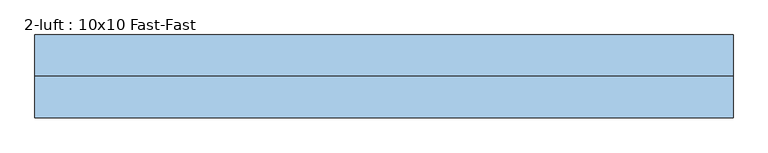
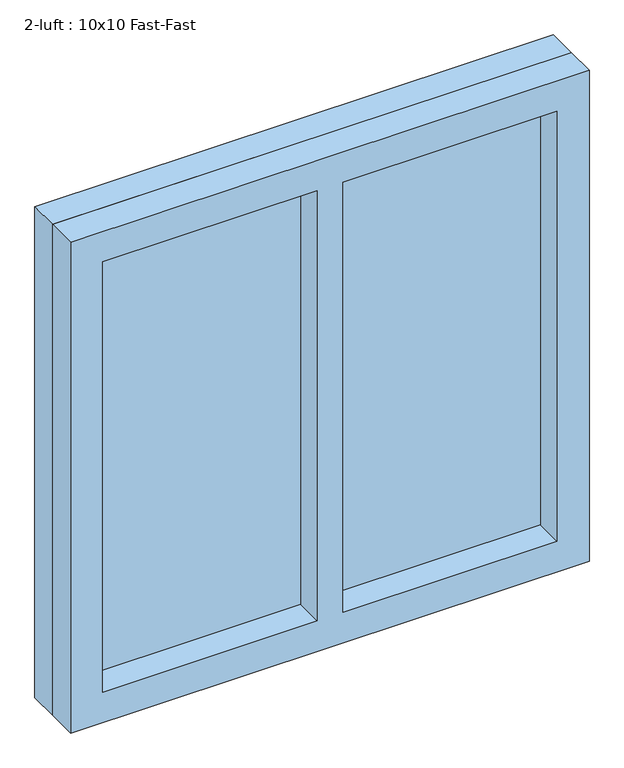
"""IFC4 building model written with IfcOpenShell, lengths in millimetres: window geometry, 2-luft : 10x10 Fast-Fast."""

from ifc_helpers import new_model, si_unit, frame, origin, place, context, project, spatial, polyline, outline, extrude, source, transform, mapped, element, save


def window_2_luft_10x10_fast_fast_537cc469(model_context):
    return source(origin(), model_context, "Body", "SweptSolid", [
        extrude(outline(polyline([(442.5, 36.0), (25.5, 36.0), (25.5, 44.0), (442.5, 44.0), (442.5, 36.0)])), frame((0.0, 0.0, 862.5), z_axis=(0.0, 0.0, 1.0), x_axis=(1.0, 0.0, 0.0)), (0.0, 0.0, 1.0), 885.0),
        extrude(outline(polyline([(-24.5, 36.0), (-442.5, 36.0), (-442.5, 44.0), (-24.5, 44.0), (-24.5, 36.0)])), frame((0.0, 0.0, 862.5), z_axis=(0.0, 0.0, 1.0), x_axis=(1.0, 0.0, 0.0)), (0.0, 0.0, 1.0), 885.0),
        extrude(outline(polyline([(1810.0, -505.0), (800.0, -505.0), (800.0, 505.0), (1810.0, 505.0), (1810.0, -505.0)]), holes=[polyline([(1747.5, -24.5), (862.5, -24.5), (862.5, -442.5), (1747.5, -442.5), (1747.5, -24.5)]), polyline([(1747.5, 442.5), (862.5, 442.5), (862.5, 25.5), (1747.5, 25.5), (1747.5, 442.5)])]), frame((0.0, -20.0, 0.0), z_axis=(0.0, 1.0, 0.0), x_axis=(0.0, 0.0, 1.0)), (0.0, 0.0, 1.0), 60.0),
        extrude(outline(polyline([(1810.0, -505.0), (800.0, -505.0), (800.0, 505.0), (1810.0, 505.0), (1810.0, -505.0)]), holes=[polyline([(1747.5, 25.5), (1747.5, 442.5), (862.5, 442.5), (862.5, 25.5), (1747.5, 25.5)]), polyline([(1747.5, -442.5), (1747.5, -24.5), (862.5, -24.5), (862.5, -442.5), (1747.5, -442.5)])]), frame((0.0, 40.0, 0.0), z_axis=(0.0, 1.0, 0.0), x_axis=(0.0, 0.0, 1.0)), (0.0, 0.0, 1.0), 60.0),
    ])


if __name__ == "__main__":
    model = new_model("IFC4")
    model_context = context("Model", 3, world=origin())
    ifc_project = project(units=[si_unit("LENGTHUNIT", "METRE", prefix="MILLI")], contexts=[model_context])
    site = spatial("IfcSite", under=ifc_project)
    building = spatial("IfcBuilding", under=site)
    placement = place(None, origin())
    window_2_luft_10x10_fast_fast_shape = window_2_luft_10x10_fast_fast_537cc469(model_context)
    element("IfcWindow", 1, ObjectType="2-luft : 10x10 Fast-Fast", at=placement, inside=building, context=model_context, shape_type="MappedRepresentation", body=[
        mapped(window_2_luft_10x10_fast_fast_shape, transform((0.0, 0.0, 0.0), x_axis=(1.0, 0.0, 0.0), y_axis=(0.0, 1.0, 0.0), z_axis=(0.0, 0.0, 1.0))),
    ])
    save(model, "model.ifc")
